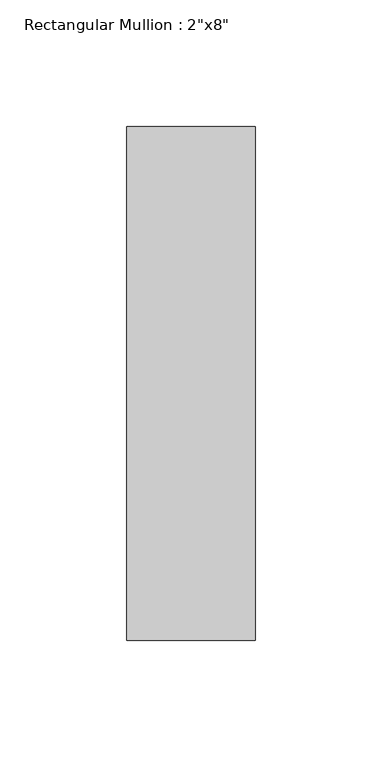
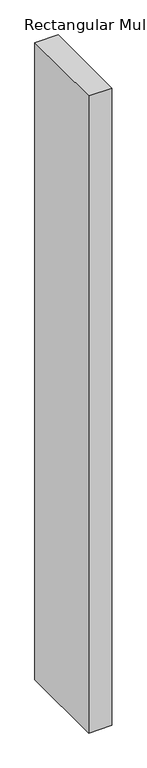
"""IFC4 building model written with IfcOpenShell, lengths in millimetres: member geometry."""

from ifc_helpers import new_model, si_unit, frame, origin, place, context, project, spatial, polyline, outline, extrude, source, transform, mapped, element, save


def member_85e1fbca(model_context):
    return source(origin(), model_context, "Body", "SweptSolid", [
        extrude(outline(polyline([(0.0, 101.6), (0.0, -101.6), (-50.8, -101.6), (-50.8, 101.6), (0.0, 101.6)])), frame((0.0, 0.0, -1473.2), z_axis=(0.0, 0.0, 1.0), x_axis=(1.0, 0.0, 0.0)), (0.0, 0.0, 1.0), 1473.2),
    ])


if __name__ == "__main__":
    model = new_model("IFC4")
    model_context = context("Model", 3, world=origin())
    ifc_project = project(units=[si_unit("LENGTHUNIT", "METRE", prefix="MILLI")], contexts=[model_context])
    site = spatial("IfcSite", under=ifc_project)
    building = spatial("IfcBuilding", under=site)
    placement = place(None, origin())
    member_shape = member_85e1fbca(model_context)
    element("IfcMember", 1, ObjectType="Rectangular Mullion : 2\"x8\"", at=placement, inside=building, context=model_context, shape_type="MappedRepresentation", body=[
        mapped(member_shape, transform((0.0, 0.0, 0.0), x_axis=(1.0, 0.0, 0.0), y_axis=(0.0, 1.0, 0.0), z_axis=(0.0, 0.0, 1.0))),
    ])
    save(model, "model.ifc")
